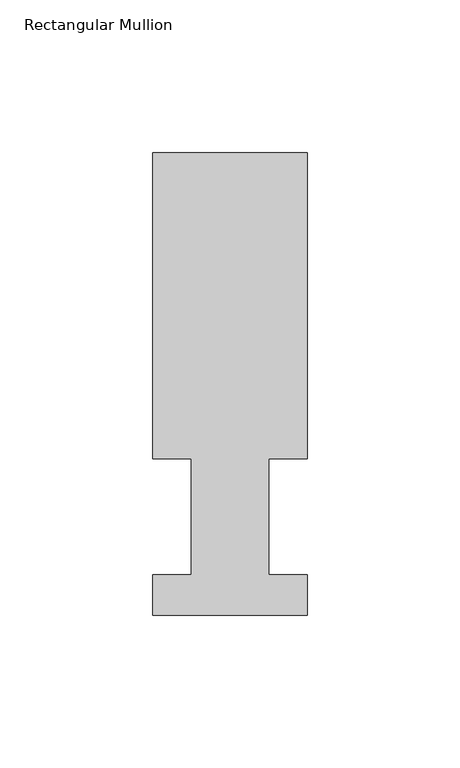
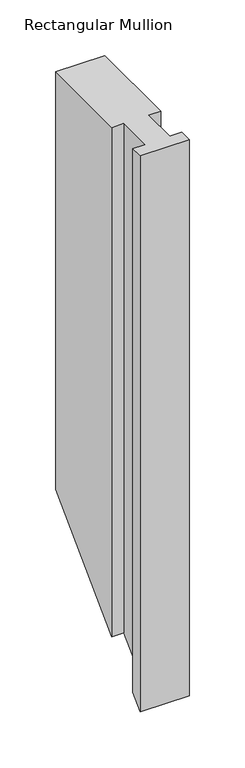
"""IFC4 building model written with IfcOpenShell, lengths in millimetres: member geometry, Rectangular Mullion."""

from ifc_helpers import new_model, si_unit, origin, place, context, project, spatial, faceted_brep, source, transform, mapped, element, save


def rectangular_mullion_26399425(model_context):
    return source(origin(), model_context, "Body", "Brep", [
        faceted_brep([(0.0, 151.7022937, 0.0), (0.0, 51.2960938, 0.0), (12.7, 51.2960938, 0.0), (12.7, 13.1960938, 0.0), (0.0, 13.1960938, 0.0), (0.0, 0.0134937, 0.0), (50.8, 0.0134937, 0.0), (50.8, 13.1960938, 0.0), (38.1, 13.1960938, 0.0), (38.1, 51.2960937, 0.0), (50.8, 51.2960937, 0.0), (50.8, 151.7022937, 0.0), (0.0, 151.7022937, -457.8977063), (0.0, 51.2960938, -558.3039062), (12.7, 51.2960938, -558.3039062), (12.7, 13.1960938, -596.4039062), (0.0, 13.1960938, -596.4039062), (0.0, 0.0134937, -609.5865063), (50.8, 0.0134937, -609.5865063), (50.8, 13.1960938, -596.4039062), (38.1, 13.1960938, -596.4039062), (38.1, 51.2960937, -558.3039062), (50.8, 51.2960937, -558.3039062), (50.8, 151.7022937, -457.8977063)], [[[0, 1, 2, 3, 4, 5, 6, 7, 8, 9, 10, 11]], [[1, 0, 12, 13]], [[2, 1, 13, 14]], [[3, 2, 14, 15]], [[4, 3, 15, 16]], [[5, 4, 16, 17]], [[6, 5, 17, 18]], [[7, 6, 18, 19]], [[8, 7, 19, 20]], [[9, 8, 20, 21]], [[10, 9, 21, 22]], [[11, 10, 22, 23]], [[0, 11, 23, 12]], [[12, 23, 22, 21, 20, 19, 18, 17, 16, 15, 14, 13]]]),
    ])


if __name__ == "__main__":
    model = new_model("IFC4")
    model_context = context("Model", 3, world=origin())
    ifc_project = project(units=[si_unit("LENGTHUNIT", "METRE", prefix="MILLI")], contexts=[model_context])
    site = spatial("IfcSite", under=ifc_project)
    building = spatial("IfcBuilding", under=site)
    placement = place(None, origin())
    rectangular_mullion_shape = rectangular_mullion_26399425(model_context)
    element("IfcMember", 1, ObjectType="Rectangular Mullion", at=placement, inside=building, context=model_context, shape_type="MappedRepresentation", body=[
        mapped(rectangular_mullion_shape, transform((0.0, 0.0, 0.0), x_axis=(1.0, 0.0, 0.0), y_axis=(0.0, 1.0, 0.0), z_axis=(0.0, 0.0, 1.0))),
    ])
    save(model, "model.ifc")
